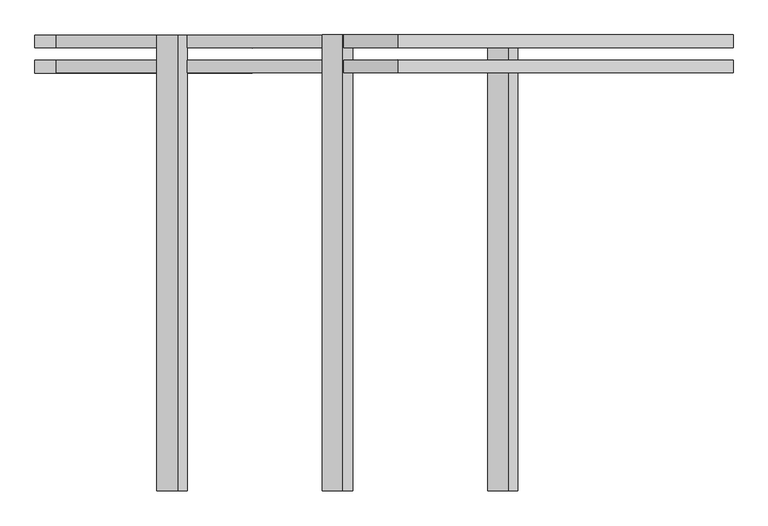
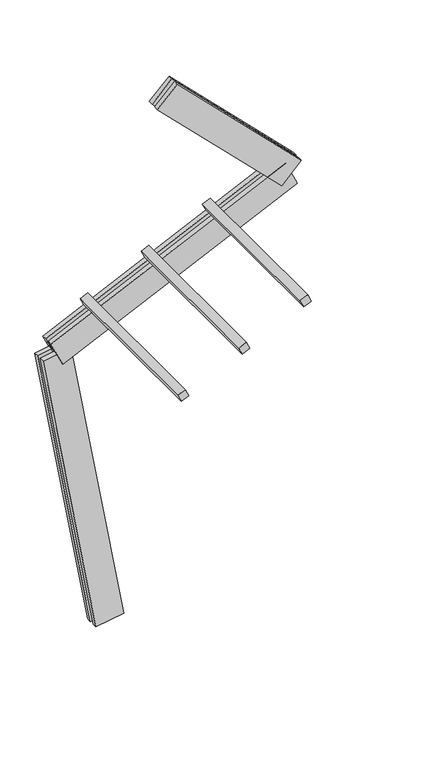
"""IFC4 building model written with IfcOpenShell, lengths in millimetres: proxy geometry."""

from ifc_helpers import new_model, si_unit, frame, origin, place, context, project, spatial, polyline, outline, extrude, source, transform, mapped, element, save


def generic_models_f1f1a28b(model_context):
    return source(origin(), model_context, "Body", "SweptSolid", [
        extrude(outline(polyline([(1500.0, 0.0), (1500.0, -75.0), (0.0, -75.0), (0.0, 0.0), (1500.0, 0.0)])), frame((-91.1811636, 62.5, 2973.0130808), z_axis=(-0.4226182617406989, 0.0, 0.9063077870366503), x_axis=(0.0, -1.0, 0.0)), (0.0, 0.0, 1.0), 75.0),
        extrude(outline(polyline([(1500.0, 0.0), (1500.0, -75.0), (0.0, -75.0), (0.0, 0.0), (1500.0, 0.0)])), frame((452.6035086, 62.5, 3226.5840379), z_axis=(-0.4226182617406989, 0.0, 0.9063077870366503), x_axis=(0.0, -1.0, 0.0)), (0.0, 0.0, 1.0), 75.0),
        extrude(outline(polyline([(1500.0, 0.0), (1500.0, -75.0000001), (0.0, -75.0000001), (0.0, 0.0), (1500.0, 0.0)])), frame((996.3881809, 62.5, 3480.1549949), z_axis=(-0.4226182617406989, 0.0, 0.9063077870366503), x_axis=(0.0, -1.0, 0.0)), (0.0, 0.0, 1.0), 75.0),
        extrude(outline(polyline([(1559.9999999, -125.0), (0.0, -125.0), (0.0, -82.5), (1559.9999999, -82.5), (1559.9999999, -125.0)])), frame((1527.2694828, -62.5, 3542.6145875), z_axis=(0.7071067811865492, 0.0, 0.7071067811865459), x_axis=(-0.7071067811865459, 0.0, 0.7071067811865492)), (0.0, 0.0, 1.0), 250.0),
        extrude(outline(polyline([(0.0, 0.0), (1559.9999999, 0.0), (1559.9999999, -42.5), (0.0, -42.5), (0.0, 0.0)])), frame((1527.2694828, -62.5, 3542.6145875), z_axis=(0.7071067811865492, 0.0, 0.7071067811865459), x_axis=(-0.7071067811865459, 0.0, 0.7071067811865492)), (0.0, 0.0, 1.0), 250.0),
        extrude(outline(polyline([(2300.0, -125.0), (0.0, -125.0), (0.0, -82.5), (2300.0, -82.5), (2300.0, -125.0)])), frame((1668.4851132, -62.5, 3517.7144618), z_axis=(-0.4226182617406989, 0.0, 0.9063077870366503), x_axis=(-0.9063077870366503, 0.0, -0.4226182617406989)), (0.0, 0.0, 1.0), 250.0),
        extrude(outline(polyline([(0.0, 0.0), (2300.0, 0.0), (2300.0, -42.5), (0.0, -42.5), (0.0, 0.0)])), frame((1668.4851132, -62.5, 3517.7144618), z_axis=(-0.4226182617406989, 0.0, 0.9063077870366503), x_axis=(-0.9063077870366503, 0.0, -0.4226182617406989)), (0.0, 0.0, 1.0), 250.0),
        extrude(outline(polyline([(-125.0, -249.9999999), (-125.0, 0.0), (-82.5, 0.0), (-82.5, -249.9999999), (-125.0, -249.9999999)])), frame((123.1009691, -62.5, 21.7060222), z_axis=(-0.17364817766693158, 0.0, 0.9848077530122079), x_axis=(0.0, -1.0, 0.0)), (0.0, 0.0, 1.0), 2700.0),
        extrude(outline(polyline([(0.0, 0.0), (0.0, -249.9999999), (-42.5, -249.9999999), (-42.5, 0.0), (0.0, 0.0)])), frame((123.1009691, -62.5, 21.7060222), z_axis=(-0.17364817766693158, 0.0, 0.9848077530122079), x_axis=(0.0, -1.0, 0.0)), (0.0, 0.0, 1.0), 2700.0),
    ])


if __name__ == "__main__":
    model = new_model("IFC4")
    model_context = context("Model", 3, world=origin())
    ifc_project = project(units=[si_unit("LENGTHUNIT", "METRE", prefix="MILLI")], contexts=[model_context])
    site = spatial("IfcSite", under=ifc_project)
    building = spatial("IfcBuilding", under=site)
    placement = place(None, origin())
    generic_models_shape = generic_models_f1f1a28b(model_context)
    element("IfcBuildingElementProxy", 1, Name="Generic Models", at=placement, inside=building, context=model_context, shape_type="MappedRepresentation", body=[
        mapped(generic_models_shape, transform((0.0, 0.0, 0.0), x_axis=(1.0, 0.0, 0.0), y_axis=(0.0, 1.0, 0.0), z_axis=(0.0, 0.0, 1.0))),
    ])
    save(model, "model.ifc")
